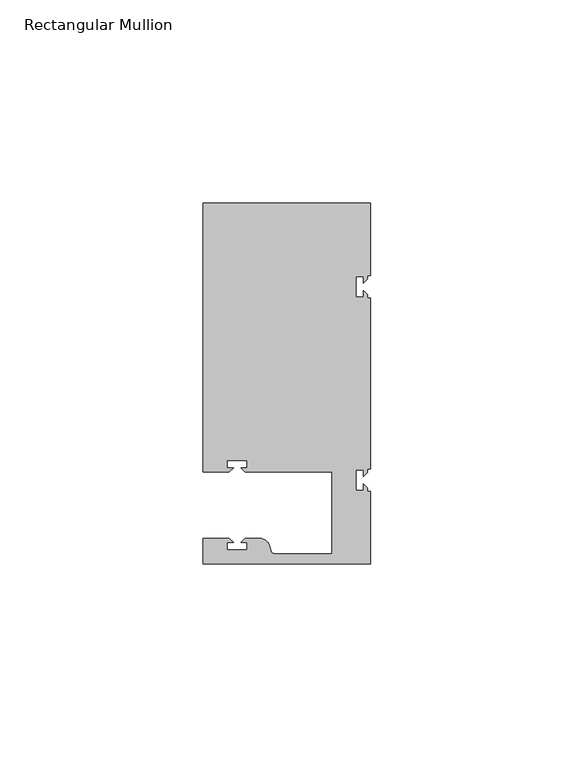
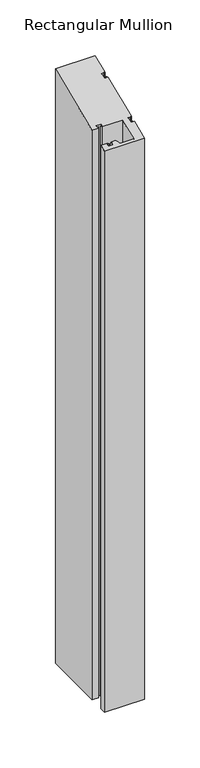
"""IFC4 building model written with IfcOpenShell, lengths in millimetres: member geometry, Rectangular Mullion."""

from ifc_helpers import new_model, si_unit, frame, origin, place, context, project, spatial, polyline, circle_curve, ellipse_curve, source, transform, mapped, element, save
from ifc_brep_helpers import plane_surface, cylinder_surface, revolved_surface, advanced_brep


def rectangular_mullion_d5f52cea(model_context):
    return source(origin(), model_context, "Body", "AdvancedBrep", [
        advanced_brep(
        [(0.0, -44.45, -635.0), (-41.2749977, -44.45, -635.0), (-41.2749977, -38.1499897, -635.0), (-34.8007531, -38.1499897, -635.0), (-33.8007405, -39.1500023, -635.0), (-35.3749778, -39.1500023, -635.0), (-35.3749778, -40.9498819, -635.0), (-30.3749831, -40.9498819, -635.0), (-30.3749831, -39.1500023, -635.0), (-31.949256, -39.1500023, -635.0), (-30.9492503, -38.1499966, -635.0), (-27.2637853, -38.1499966, -635.0), (-24.8489707, -40.002949, -635.0), (-24.5258588, -41.2088192, -635.0), (-23.5599329, -41.9500001, -635.0), (-9.525, -41.95, -635.0), (-9.525, -21.7499959, -635.0), (-30.9492434, -21.7499959, -635.0), (-31.949256, -20.7499834, -635.0), (-30.3750186, -20.7499834, -635.0), (-30.3750186, -18.949936, -635.0), (-35.3750134, -18.949936, -635.0), (-35.3750134, -20.7499834, -635.0), (-33.8007405, -20.7499834, -635.0), (-34.8007562, -21.749999, -635.0), (-41.275, -21.749999, -635.0), (-41.275, 44.45, -635.0), (0.0, 44.45, -635.0), (0.0, 26.5319902, -635.0), (-0.79375, 26.5319902, -635.0), (-0.79375, 25.7382757, -635.0), (-1.7937657, 24.73826, -635.0), (-1.7937657, 26.3124974, -635.0), (-3.5938131, 26.3124974, -635.0), (-3.5938131, 21.3125026, -635.0), (-1.7937657, 21.3125026, -635.0), (-1.7937657, 22.8867755, -635.0), (-0.79375, 21.8867598, -635.0), (-0.79375, 21.0930098, -635.0), (0.0, 21.0930098, -635.0), (0.0, -21.0930098, -635.0), (-0.79375, -21.0930098, -635.0), (-0.79375, -21.8867243, -635.0), (-1.7937657, -22.88674, -635.0), (-1.7937657, -21.3125026, -635.0), (-3.5938131, -21.3125026, -635.0), (-3.5938131, -26.3124974, -635.0), (-1.7937657, -26.3124974, -635.0), (-1.7937657, -24.7382245, -635.0), (-0.79375, -25.7382402, -635.0), (-0.79375, -26.5319902, -635.0), (0.0, -26.5319902, -635.0), (0.0, -26.5319902, -10.9899102), (0.0, -44.45, -18.4117928), (-0.79375, -26.5319902, -10.9899102), (-0.79375, -25.7382402, -10.6611282), (-1.7937657, -24.7382245, -10.2469081), (-1.7937657, -26.3124974, -10.8989933), (-3.5938131, -26.3124974, -10.8989933), (-3.5938131, -21.3125026, -8.8279276), (-1.7937657, -21.3125026, -8.8279276), (-1.7937657, -22.88674, -9.4799981), (-0.79375, -21.8867243, -9.065778), (-0.79375, -21.0930098, -8.7370107), (0.0, -21.0930098, -8.7370107), (0.0, 21.0930098, 8.7370107), (-0.79375, 21.0930098, 8.7370107), (-0.79375, 21.8867598, 9.0657928), (-1.7937657, 22.8867755, 9.4800128), (-1.7937657, 21.3125026, 8.8279276), (-3.5938131, 21.3125026, 8.8279276), (-3.5938131, 26.3124974, 10.8989933), (-1.7937657, 26.3124974, 10.8989933), (-1.7937657, 24.73826, 10.2469228), (-0.79375, 25.7382757, 10.6611429), (-0.79375, 26.5319902, 10.9899102), (0.0, 26.5319902, 10.9899102), (0.0, 44.45, 18.4117928), (-41.275, 44.45, 18.4117928), (-41.275, -21.749999, -9.0091446), (-34.8007562, -21.749999, -9.0091446), (-33.8007405, -20.7499834, -8.5949245), (-35.3750134, -20.7499834, -8.5949245), (-35.3750134, -18.949936, -7.8493205), (-30.3750186, -18.949936, -7.8493205), (-30.3750186, -20.7499834, -8.5949245), (-31.949256, -20.7499834, -8.5949245), (-30.9492434, -21.7499959, -9.0091433), (-9.525, -21.7499959, -9.0091433), (-9.525, -41.95, -17.3762589), (-23.5599329, -41.95, -17.376259), (-24.5258588, -41.2088192, -17.0692518), (-24.8489707, -40.002949, -16.569764), (-27.2637853, -38.1499966, -15.802246), (-30.9492503, -38.1499966, -15.802246), (-31.949256, -39.1500023, -16.2164619), (-30.3749831, -39.1500023, -16.2164619), (-30.3749831, -40.9498819, -16.9619965), (-35.3749778, -40.9498819, -16.9619965), (-35.3749778, -39.1500023, -16.2164619), (-33.8007405, -39.1500023, -16.2164619), (-34.8007531, -38.1499897, -15.8022431), (-41.2749977, -38.1499897, -15.8022431), (-41.2749977, -44.45, -18.4117928)],
        [
            (0, 1),
            (1, 2),
            (2, 3),
            (3, 4),
            (4, 5),
            (5, 6),
            (6, 7),
            (7, 8),
            (8, 9),
            (9, 10),
            (10, 11),
            (11, 12, circle_curve(frame((-27.2637853, -40.6499966, -635.0), z_axis=(0.0, 0.0, -1.0), x_axis=(0.0, 1.0, 0.0)), 2.5)),
            (12, 13),
            (13, 14, circle_curve(frame((-23.5599329, -40.9500001, -635.0), z_axis=(0.0, 0.0, 1.0), x_axis=(0.0, 1.0, 0.0)), 1.0)),
            (14, 15),
            (15, 16),
            (16, 17),
            (17, 18),
            (18, 19),
            (19, 20),
            (20, 21),
            (21, 22),
            (22, 23),
            (23, 24),
            (24, 25),
            (25, 26),
            (26, 27),
            (27, 28),
            (28, 29),
            (29, 30),
            (30, 31),
            (31, 32),
            (32, 33),
            (33, 34),
            (34, 35),
            (35, 36),
            (36, 37),
            (37, 38),
            (38, 39),
            (39, 40),
            (40, 41),
            (41, 42),
            (42, 43),
            (43, 44),
            (44, 45),
            (45, 46),
            (46, 47),
            (47, 48),
            (48, 49),
            (49, 50),
            (50, 51),
            (51, 0),
            (52, 53),
            (53, 0),
            (51, 52),
            (54, 52),
            (50, 54),
            (55, 54),
            (49, 55),
            (56, 55),
            (48, 56),
            (57, 56),
            (47, 57),
            (58, 57),
            (46, 58),
            (59, 58),
            (45, 59),
            (60, 59),
            (44, 60),
            (61, 60),
            (43, 61),
            (62, 61),
            (42, 62),
            (63, 62),
            (41, 63),
            (64, 63),
            (40, 64),
            (65, 64),
            (39, 65),
            (66, 65),
            (38, 66),
            (67, 66),
            (37, 67),
            (68, 67),
            (36, 68),
            (69, 68),
            (35, 69),
            (70, 69),
            (34, 70),
            (71, 70),
            (33, 71),
            (72, 71),
            (32, 72),
            (73, 72),
            (31, 73),
            (74, 73),
            (30, 74),
            (75, 74),
            (29, 75),
            (76, 75),
            (28, 76),
            (77, 76),
            (27, 77),
            (78, 77),
            (26, 78),
            (79, 78),
            (25, 79),
            (80, 79),
            (24, 80),
            (81, 80),
            (23, 81),
            (82, 81),
            (22, 82),
            (83, 82),
            (21, 83),
            (84, 83),
            (20, 84),
            (85, 84),
            (19, 85),
            (86, 85),
            (18, 86),
            (87, 86),
            (17, 87),
            (88, 87),
            (16, 88),
            (89, 88),
            (15, 89),
            (90, 89),
            (14, 90),
            (91, 90, ellipse_curve(frame((-23.5599329, -40.9500001, -16.9620454), z_axis=(0.0, -0.3826834323650909, 0.9238795325112864), x_axis=(0.0, -0.9238795325112865, -0.3826834323650905)), 1.0823922, 1.0)),
            (13, 91),
            (92, 91),
            (12, 92),
            (93, 92, ellipse_curve(frame((-27.2637853, -40.6499966, -16.8377799), z_axis=(0.0, 0.3826834323650909, -0.9238795325112864), x_axis=(0.0, 0.9238795325112865, 0.3826834323650905)), 2.7059805, 2.5)),
            (11, 93),
            (94, 93),
            (10, 94),
            (95, 94),
            (9, 95),
            (96, 95),
            (8, 96),
            (97, 96),
            (7, 97),
            (98, 97),
            (6, 98),
            (99, 98),
            (5, 99),
            (100, 99),
            (4, 100),
            (101, 100),
            (3, 101),
            (102, 101),
            (2, 102),
            (103, 102),
            (1, 103),
            (53, 103),
        ],
        [
            plane_surface(frame((0.0, -60.6582898, -635.0), z_axis=(0.0, 0.0, -1.0), x_axis=(-1.0, 0.0, 0.0))),
            plane_surface(frame((0.0, -44.45, 0.0), z_axis=(1.0, 0.0, 0.0), x_axis=(0.0, 0.0, -1.0))),
            plane_surface(frame((0.0, -26.5319902, 0.0), z_axis=(0.0, 1.0, 0.0), x_axis=(0.0, 0.0, -1.0))),
            plane_surface(frame((-0.79375, -26.5319902, 0.0), z_axis=(1.0, 0.0, 0.0), x_axis=(0.0, 0.0, -1.0))),
            plane_surface(frame((-0.79375, -25.7382402, 0.0), z_axis=(0.7071067811865522, 0.7071067811865429, 0.0), x_axis=(0.0, 0.0, -1.0))),
            plane_surface(frame((-1.7937657, -24.7382245, 0.0), z_axis=(-1.0, 0.0, 0.0), x_axis=(0.0, 0.0, -1.0))),
            plane_surface(frame((-1.7937657, -26.3124974, 0.0), z_axis=(0.0, 1.0, 0.0), x_axis=(0.0, 0.0, -1.0))),
            plane_surface(frame((-3.5938131, -26.3124974, 0.0), z_axis=(1.0, 0.0, 0.0), x_axis=(0.0, 0.0, -1.0))),
            plane_surface(frame((-3.5938131, -21.3125026, 0.0), z_axis=(0.0, -1.0, 0.0), x_axis=(0.0, 0.0, -1.0))),
            plane_surface(frame((-1.7937657, -21.3125026, 0.0), z_axis=(-1.0, 0.0, 0.0), x_axis=(0.0, 0.0, -1.0))),
            plane_surface(frame((-1.7937657, -22.88674, 0.0), z_axis=(0.7071067811865416, -0.7071067811865536, 0.0), x_axis=(0.0, 0.0, -1.0))),
            plane_surface(frame((-0.79375, -21.8867243, 0.0), z_axis=(1.0, 0.0, 0.0), x_axis=(0.0, 0.0, -1.0))),
            plane_surface(frame((-0.79375, -21.0930098, 0.0), z_axis=(0.0, -1.0, 0.0), x_axis=(0.0, 0.0, -1.0))),
            plane_surface(frame((0.0, -21.0930098, 0.0), z_axis=(1.0, 0.0, 0.0), x_axis=(0.0, 0.0, -1.0))),
            plane_surface(frame((0.0, 21.0930098, 0.0), z_axis=(0.0, 1.0, 0.0), x_axis=(0.0, 0.0, -1.0))),
            plane_surface(frame((-0.79375, 21.0930098, 0.0), z_axis=(1.0, 0.0, 0.0), x_axis=(0.0, 0.0, -1.0))),
            plane_surface(frame((-0.79375, 21.8867598, 0.0), z_axis=(0.7071067811865522, 0.7071067811865429, 0.0), x_axis=(0.0, 0.0, -1.0))),
            plane_surface(frame((-1.7937657, 22.8867755, 0.0), z_axis=(-1.0, 0.0, 0.0), x_axis=(0.0, 0.0, -1.0))),
            plane_surface(frame((-1.7937657, 21.3125026, 0.0), z_axis=(0.0, 1.0, 0.0), x_axis=(0.0, 0.0, -1.0))),
            plane_surface(frame((-3.5938131, 21.3125026, 0.0), z_axis=(1.0, 0.0, 0.0), x_axis=(0.0, 0.0, -1.0))),
            plane_surface(frame((-3.5938131, 26.3124974, 0.0), z_axis=(0.0, -1.0, 0.0), x_axis=(0.0, 0.0, -1.0))),
            plane_surface(frame((-1.7937657, 26.3124974, 0.0), z_axis=(-1.0, 0.0, 0.0), x_axis=(0.0, 0.0, -1.0))),
            plane_surface(frame((-1.7937657, 24.73826, 0.0), z_axis=(0.7071067811865416, -0.7071067811865536, 0.0), x_axis=(0.0, 0.0, -1.0))),
            plane_surface(frame((-0.79375, 25.7382757, 0.0), z_axis=(1.0, 0.0, 0.0), x_axis=(0.0, 0.0, -1.0))),
            plane_surface(frame((-0.79375, 26.5319902, 0.0), z_axis=(0.0, -1.0, 0.0), x_axis=(0.0, 0.0, -1.0))),
            plane_surface(frame((0.0, 26.5319902, 0.0), z_axis=(1.0, 0.0, 0.0), x_axis=(0.0, 0.0, -1.0))),
            plane_surface(frame((0.0, 44.45, 0.0), z_axis=(0.0, 1.0, 0.0), x_axis=(0.0, 0.0, -1.0))),
            plane_surface(frame((-41.275, 44.45, 0.0), z_axis=(-1.0, 0.0, 0.0), x_axis=(0.0, 0.0, -1.0))),
            plane_surface(frame((-41.275, -21.749999, 0.0), z_axis=(0.0, -1.0, 0.0), x_axis=(0.0, 0.0, -1.0))),
            plane_surface(frame((-34.8007562, -21.749999, 0.0), z_axis=(0.7071067811865472, -0.7071067811865479, 0.0), x_axis=(0.0, 0.0, -1.0))),
            plane_surface(frame((-33.8007405, -20.7499834, 0.0), z_axis=(0.0, 1.0, 0.0), x_axis=(0.0, 0.0, -1.0))),
            plane_surface(frame((-35.3750134, -20.7499834, 0.0), z_axis=(1.0, 0.0, 0.0), x_axis=(0.0, 0.0, -1.0))),
            plane_surface(frame((-35.3750134, -18.949936, 0.0), z_axis=(0.0, -1.0, 0.0), x_axis=(0.0, 0.0, -1.0))),
            plane_surface(frame((-30.3750186, -18.949936, 0.0), z_axis=(-1.0, 0.0, 0.0), x_axis=(0.0, 0.0, -1.0))),
            plane_surface(frame((-30.3750186, -20.7499834, 0.0), z_axis=(0.0, 1.0, 0.0), x_axis=(0.0, 0.0, -1.0))),
            plane_surface(frame((-31.949256, -20.7499834, 0.0), z_axis=(-0.7071067811865492, -0.7071067811865459, 0.0), x_axis=(0.0, 0.0, -1.0))),
            plane_surface(frame((-30.9492434, -21.7499959, 0.0), z_axis=(0.0, -1.0, 0.0), x_axis=(0.0, 0.0, -1.0))),
            plane_surface(frame((-9.525, -21.7499959, 0.0), z_axis=(-1.0, 0.0, 0.0), x_axis=(0.0, 0.0, -1.0))),
            plane_surface(frame((-9.525, -41.95, 0.0), z_axis=(0.0, 1.0, 0.0), x_axis=(0.0, 0.0, -1.0))),
            revolved_surface(polyline([(-23.5599329, -39.9500001, -635.0), (-23.5599329, -39.9500001, -16.547831837738798)]), (-23.5599329, -40.9500001, 0.0), (0.0, 0.0, -1.0)),
            plane_surface(frame((-24.5258588, -41.2088192, 0.0), z_axis=(0.965925826289163, 0.2588190451021675, 0.0), x_axis=(0.0, 0.0, -1.0))),
            cylinder_surface(frame((-27.2637853, -40.6499966, 0.0), z_axis=(0.0, 0.0, 1.0), x_axis=(0.0, 1.0, 0.0)), 2.5),
            plane_surface(frame((-27.2637853, -38.1499966, 0.0), z_axis=(0.0, 1.0, 0.0), x_axis=(0.0, 0.0, -1.0))),
            plane_surface(frame((-30.9492503, -38.1499966, 0.0), z_axis=(-0.7071067811865469, 0.7071067811865481, 0.0), x_axis=(0.0, 0.0, -1.0))),
            plane_surface(frame((-31.949256, -39.1500023, 0.0), z_axis=(0.0, -1.0, 0.0), x_axis=(0.0, 0.0, -1.0))),
            plane_surface(frame((-30.3749831, -39.1500023, 0.0), z_axis=(-1.0, 0.0, 0.0), x_axis=(0.0, 0.0, -1.0))),
            plane_surface(frame((-30.3749831, -40.9498819, 0.0), z_axis=(0.0, 1.0, 0.0), x_axis=(0.0, 0.0, -1.0))),
            plane_surface(frame((-35.3749778, -40.9498819, 0.0), z_axis=(1.0, 0.0, 0.0), x_axis=(0.0, 0.0, -1.0))),
            plane_surface(frame((-35.3749778, -39.1500023, 0.0), z_axis=(0.0, -1.0, 0.0), x_axis=(0.0, 0.0, -1.0))),
            plane_surface(frame((-33.8007405, -39.1500023, 0.0), z_axis=(0.7071067811865492, 0.7071067811865459, 0.0), x_axis=(0.0, 0.0, -1.0))),
            plane_surface(frame((-34.8007531, -38.1499897, 0.0), z_axis=(0.0, 1.0, 0.0), x_axis=(0.0, 0.0, -1.0))),
            plane_surface(frame((-41.2749977, -38.1499897, 0.0), z_axis=(-1.0, 0.0, 0.0), x_axis=(0.0, 0.0, -1.0))),
            plane_surface(frame((-41.2749977, -44.45, 0.0), z_axis=(0.0, -1.0, 0.0), x_axis=(0.0, 0.0, -1.0))),
            plane_surface(frame((304.8, 0.0, 0.0), z_axis=(0.0, -0.3826834323650909, 0.9238795325112864), x_axis=(0.0, -0.9238795325112864, -0.3826834323650909))),
        ],
        [
            (0, [[1, 2, 3, 4, 5, 6, 7, 8, 9, 10, 11, 12, 13, 14, 15, 16, 17, 18, 19, 20, 21, 22, 23, 24, 25, 26, 27, 28, 29, 30, 31, 32, 33, 34, 35, 36, 37, 38, 39, 40, 41, 42, 43, 44, 45, 46, 47, 48, 49, 50, 51, 52]]),
            (1, [[53, 54, -52, 55]]),
            (2, [[56, -55, -51, 57]]),
            (3, [[58, -57, -50, 59]]),
            (4, [[60, -59, -49, 61]]),
            (5, [[62, -61, -48, 63]]),
            (6, [[64, -63, -47, 65]]),
            (7, [[66, -65, -46, 67]]),
            (8, [[68, -67, -45, 69]]),
            (9, [[70, -69, -44, 71]]),
            (10, [[72, -71, -43, 73]]),
            (11, [[74, -73, -42, 75]]),
            (12, [[76, -75, -41, 77]]),
            (13, [[78, -77, -40, 79]]),
            (14, [[80, -79, -39, 81]]),
            (15, [[82, -81, -38, 83]]),
            (16, [[84, -83, -37, 85]]),
            (17, [[86, -85, -36, 87]]),
            (18, [[88, -87, -35, 89]]),
            (19, [[90, -89, -34, 91]]),
            (20, [[92, -91, -33, 93]]),
            (21, [[94, -93, -32, 95]]),
            (22, [[96, -95, -31, 97]]),
            (23, [[98, -97, -30, 99]]),
            (24, [[100, -99, -29, 101]]),
            (25, [[102, -101, -28, 103]]),
            (26, [[104, -103, -27, 105]]),
            (27, [[106, -105, -26, 107]]),
            (28, [[108, -107, -25, 109]]),
            (29, [[110, -109, -24, 111]]),
            (30, [[112, -111, -23, 113]]),
            (31, [[114, -113, -22, 115]]),
            (32, [[116, -115, -21, 117]]),
            (33, [[118, -117, -20, 119]]),
            (34, [[120, -119, -19, 121]]),
            (35, [[122, -121, -18, 123]]),
            (36, [[124, -123, -17, 125]]),
            (37, [[126, -125, -16, 127]]),
            (38, [[128, -127, -15, 129]]),
            (39, [[130, -129, -14, 131]]),
            (40, [[132, -131, -13, 133]]),
            (41, [[134, -133, -12, 135]]),
            (42, [[136, -135, -11, 137]]),
            (43, [[138, -137, -10, 139]]),
            (44, [[140, -139, -9, 141]]),
            (45, [[142, -141, -8, 143]]),
            (46, [[144, -143, -7, 145]]),
            (47, [[146, -145, -6, 147]]),
            (48, [[148, -147, -5, 149]]),
            (49, [[150, -149, -4, 151]]),
            (50, [[152, -151, -3, 153]]),
            (51, [[154, -153, -2, 155]]),
            (52, [[156, -155, -1, -54]]),
            (53, [[-53, -56, -58, -60, -62, -64, -66, -68, -70, -72, -74, -76, -78, -80, -82, -84, -86, -88, -90, -92, -94, -96, -98, -100, -102, -104, -106, -108, -110, -112, -114, -116, -118, -120, -122, -124, -126, -128, -130, -132, -134, -136, -138, -140, -142, -144, -146, -148, -150, -152, -154, -156]]),
        ],
    ),
    ])


if __name__ == "__main__":
    model = new_model("IFC4")
    model_context = context("Model", 3, world=origin())
    ifc_project = project(units=[si_unit("LENGTHUNIT", "METRE", prefix="MILLI")], contexts=[model_context])
    site = spatial("IfcSite", under=ifc_project)
    building = spatial("IfcBuilding", under=site)
    placement = place(None, origin())
    rectangular_mullion_shape = rectangular_mullion_d5f52cea(model_context)
    element("IfcMember", 1, ObjectType="Rectangular Mullion", at=placement, inside=building, context=model_context, shape_type="MappedRepresentation", body=[
        mapped(rectangular_mullion_shape, transform((0.0, 0.0, 0.0), x_axis=(1.0, 0.0, 0.0), y_axis=(0.0, 1.0, 0.0), z_axis=(0.0, 0.0, 1.0))),
    ])
    save(model, "model.ifc")
